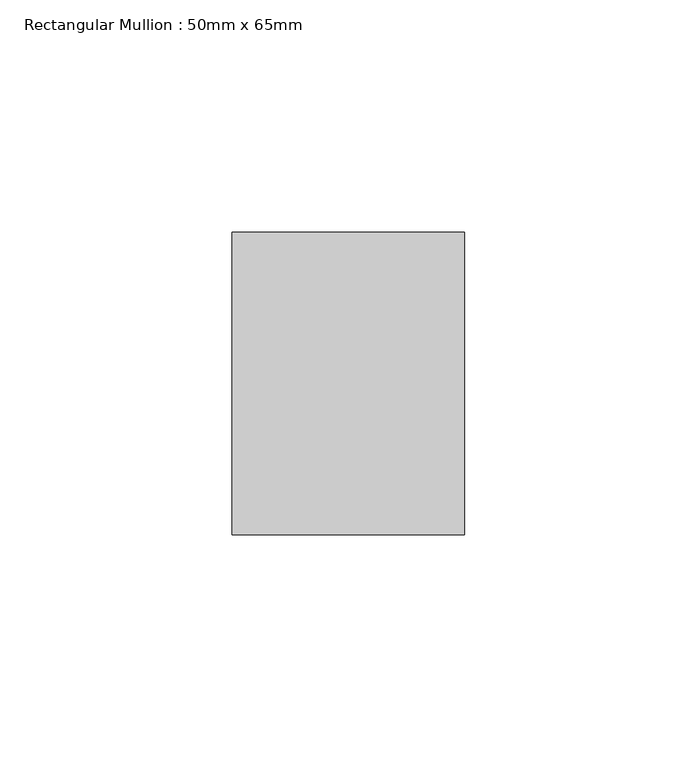
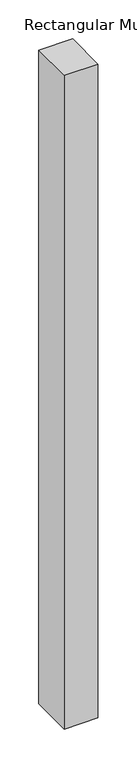
"""IFC4 building model written with IfcOpenShell, lengths in millimetres: member geometry, Rectangular Mullion : 50mm x 65mm."""

from ifc_helpers import new_model, si_unit, frame, origin, place, context, project, spatial, polyline, outline, extrude, source, transform, mapped, element, save


def rectangular_mullion_50mm_x_65mm_fc0c3801(model_context):
    return source(origin(), model_context, "Body", "SweptSolid", [
        extrude(outline(polyline([(0.0, 32.5), (0.0, -32.5), (-50.0, -32.5), (-50.0, 32.5), (0.0, 32.5)])), frame((0.0, 0.0, -1025.0), z_axis=(0.0, 0.0, 1.0), x_axis=(1.0, 0.0, 0.0)), (0.0, 0.0, 1.0), 1025.0),
    ])


if __name__ == "__main__":
    model = new_model("IFC4")
    model_context = context("Model", 3, world=origin())
    ifc_project = project(units=[si_unit("LENGTHUNIT", "METRE", prefix="MILLI")], contexts=[model_context])
    site = spatial("IfcSite", under=ifc_project)
    building = spatial("IfcBuilding", under=site)
    placement = place(None, origin())
    rectangular_mullion_50mm_x_65mm_shape = rectangular_mullion_50mm_x_65mm_fc0c3801(model_context)
    element("IfcMember", 1, ObjectType="Rectangular Mullion : 50mm x 65mm", at=placement, inside=building, context=model_context, shape_type="MappedRepresentation", body=[
        mapped(rectangular_mullion_50mm_x_65mm_shape, transform((0.0, 0.0, 0.0), x_axis=(1.0, 0.0, 0.0), y_axis=(0.0, 1.0, 0.0), z_axis=(0.0, 0.0, 1.0))),
    ])
    save(model, "model.ifc")
